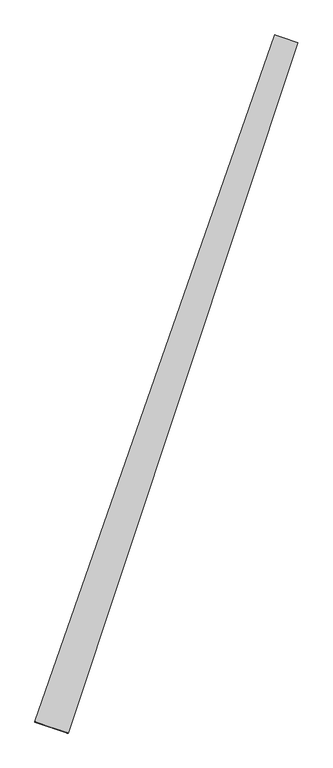
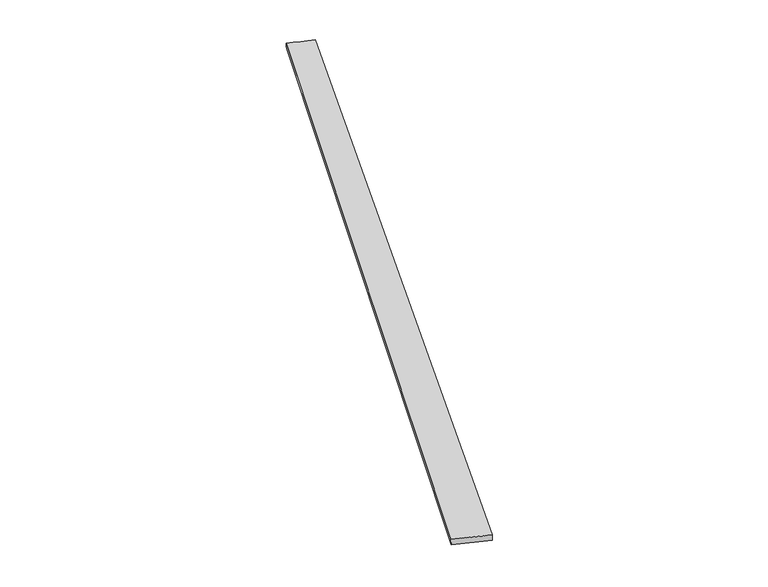
"""IFC4 building model written with IfcOpenShell, lengths in millimetres: proxy geometry."""

from ifc_helpers import new_model, si_unit, origin, place, context, project, spatial, source, transform, mapped, element, save
from ifc_brep_helpers import spline_surface, advanced_brep


def generic_models_cf1b1b7b(model_context):
    return source(origin(), model_context, "Body", "AdvancedBrep", [
        advanced_brep(
        [(-664.9010542, -1684.416004, 0.965498), (-666.1329039, -1683.9675243, 30.9368412), (659.6260382, 2116.4718454, 28.5540875), (661.3391714, 2115.8554212, -1.3906148), (-481.8175741, -1745.474967, 28.978582), (787.5192984, 2073.286465, 31.3875596), (-483.5467103, -1744.8810681, -0.9656557), (787.1085931, 2073.4416509, 1.3907725)],
        [
            (0, 1),
            (1, 2),
            (2, 3),
            (3, 0),
            (1, 4),
            (4, 5),
            (5, 2),
            (4, 6),
            (6, 7),
            (7, 5),
            (6, 0),
            (3, 7),
        ],
        [
            spline_surface(1, 1, [[(-664.9010542, -1684.416004, 0.965498), (661.3391714, 2115.8554212, -1.3906148)], [(-666.1329039, -1683.9675243, 30.9368412), (659.6260382, 2116.4718454, 28.5540875)]], [2, 2], [2, 2], [0.0, 1.0], [0.0, 1.0]),
            spline_surface(1, 1, [[(-666.1329039, -1683.9675243, 30.9368412), (659.6260382, 2116.4718454, 28.5540875)], [(-481.8175741, -1745.474967, 28.978582), (787.5192984, 2073.286465, 31.3875596)]], [2, 2], [2, 2], [0.0, 1.0], [0.0, 1.0]),
            spline_surface(1, 1, [[(-481.8175741, -1745.474967, 28.978582), (787.5192984, 2073.286465, 31.3875596)], [(-483.5467103, -1744.8810681, -0.9656557), (787.1085931, 2073.4416509, 1.3907725)]], [2, 2], [2, 2], [0.0, 1.0], [0.0, 1.0]),
            spline_surface(1, 1, [[(-483.5467103, -1744.8810681, -0.9656557), (787.1085931, 2073.4416509, 1.3907725)], [(-664.9010542, -1684.416004, 0.965498), (661.3391714, 2115.8554212, -1.3906148)]], [2, 2], [2, 2], [0.0, 1.0], [0.0, 1.0]),
            spline_surface(1, 1, [[(659.6260382, 2116.4718454, 28.5540875), (661.3391714, 2115.8554212, -1.3906148)], [(787.5192984, 2073.286465, 31.3875596), (787.1085931, 2073.4416509, 1.3907725)]], [2, 2], [2, 2], [0.0, 1.0], [0.0, 1.0]),
            spline_surface(1, 1, [[(-483.5467103, -1744.8810681, -0.9656557), (-664.9010542, -1684.416004, 0.965498)], [(-481.8175741, -1745.474967, 28.978582), (-666.1329039, -1683.9675243, 30.9368412)]], [2, 2], [2, 2], [0.0, 1.0], [0.0, 1.0]),
        ],
        [
            (0, [[1, 2, 3, 4]]),
            (1, [[5, 6, 7, -2]]),
            (2, [[8, 9, 10, -6]]),
            (3, [[11, -4, 12, -9]]),
            (4, [[-3, -7, -10, -12]]),
            (5, [[-11, -8, -5, -1]]),
        ],
    ),
    ])


if __name__ == "__main__":
    model = new_model("IFC4")
    model_context = context("Model", 3, world=origin())
    ifc_project = project(units=[si_unit("LENGTHUNIT", "METRE", prefix="MILLI")], contexts=[model_context])
    site = spatial("IfcSite", under=ifc_project)
    building = spatial("IfcBuilding", under=site)
    placement = place(None, origin())
    generic_models_shape = generic_models_cf1b1b7b(model_context)
    element("IfcBuildingElementProxy", 1, Name="Generic Models", at=placement, inside=building, context=model_context, shape_type="MappedRepresentation", body=[
        mapped(generic_models_shape, transform((0.0, 0.0, 0.0), x_axis=(1.0, 0.0, 0.0), y_axis=(0.0, 1.0, 0.0), z_axis=(0.0, 0.0, 1.0))),
    ])
    save(model, "model.ifc")
